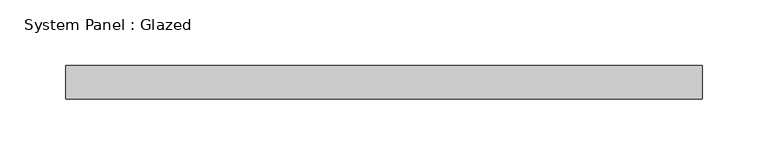
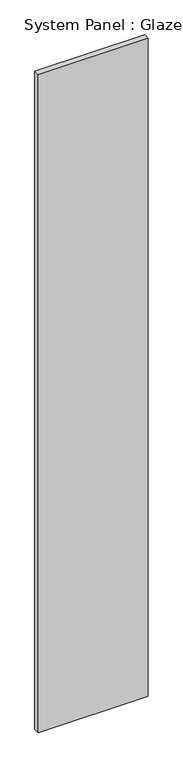
"""IFC4 building model written with IfcOpenShell, lengths in millimetres: plate geometry, System Panel : Glazed."""

from ifc_helpers import new_model, si_unit, origin, origin_with_axes, place, context, project, spatial, polyline, outline, extrude, source, transform, mapped, element, save


def system_panel_glazed_a15e38dc(model_context):
    return source(origin(), model_context, "Body", "SweptSolid", [
        extrude(outline(polyline([(241.3, -44.45), (-241.3, -44.45), (-241.3, -19.05), (241.3, -19.05), (241.3, -44.45)])), origin_with_axes(), (0.0, 0.0, 1.0), 3048.0),
    ])


if __name__ == "__main__":
    model = new_model("IFC4")
    model_context = context("Model", 3, world=origin())
    ifc_project = project(units=[si_unit("LENGTHUNIT", "METRE", prefix="MILLI")], contexts=[model_context])
    site = spatial("IfcSite", under=ifc_project)
    building = spatial("IfcBuilding", under=site)
    placement = place(None, origin())
    system_panel_glazed_shape = system_panel_glazed_a15e38dc(model_context)
    element("IfcPlate", 1, ObjectType="System Panel : Glazed", at=placement, inside=building, context=model_context, shape_type="MappedRepresentation", body=[
        mapped(system_panel_glazed_shape, transform((0.0, 0.0, 0.0), x_axis=(1.0, 0.0, 0.0), y_axis=(0.0, 1.0, 0.0), z_axis=(0.0, 0.0, 1.0))),
    ])
    save(model, "model.ifc")
